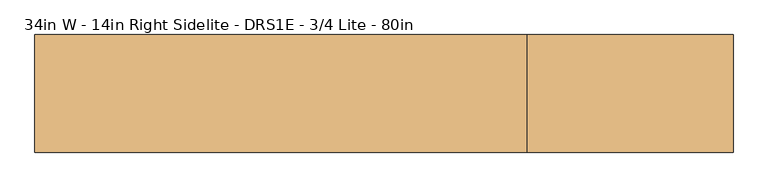
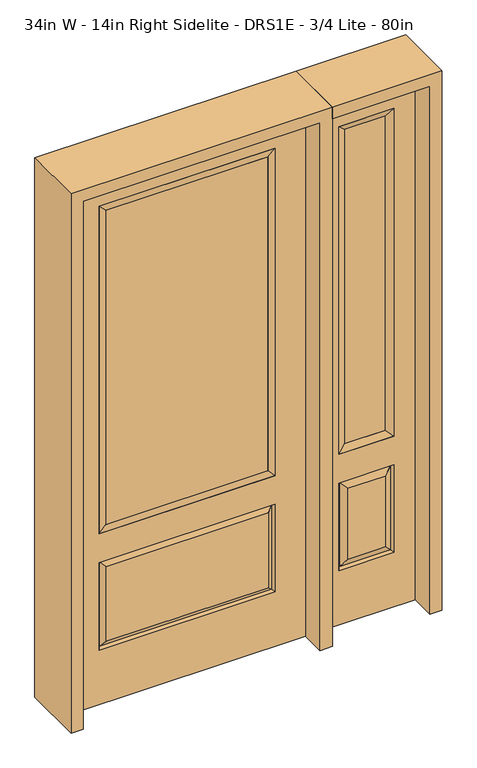
"""IFC4 building model written with IfcOpenShell, lengths in millimetres: door geometry, 34in W - 14in Right Sidelite - DRS1E - 3/4 Lite - 80in."""

from ifc_helpers import new_model, si_unit, frame, origin, place, context, project, spatial, polyline, outline, extrude, faceted_brep, source, transform, mapped, element, save


def door_34in_w_14in_right_sidelite_drs1e_3_4_lite_80in_d5466b01(model_context):
    return source(origin(), model_context, "Body", "SolidModel", [
        faceted_brep([(476.25, -22.225, 0.0), (831.85, -22.225, 0.0), (831.85, -22.225, 2032.0), (476.25, -22.225, 2032.0), (754.38, -22.225, 1919.224), (754.38, -22.225, 657.098), (553.72, -22.225, 657.098), (553.72, -22.225, 1919.224), (754.38, -22.225, 209.55), (553.72, -22.225, 209.55), (553.72, -22.225, 546.1), (754.38, -22.225, 546.1), (585.4351001, -22.225, 241.2651001), (722.6648999, -22.225, 241.2651001), (722.6648999, -22.225, 514.3848999), (585.4351001, -22.225, 514.3848999), (476.25, 22.225, 0.0), (476.25, 22.225, 2032.0), (831.85, 22.225, 2032.0), (831.85, 22.225, 0.0), (754.38, 22.225, 1919.224), (553.72, 22.225, 1919.224), (553.72, 22.225, 657.098), (754.38, 22.225, 657.098), (553.72, 22.225, 209.55), (754.38, 22.225, 209.55), (754.38, 22.225, 546.1), (553.72, 22.225, 546.1), (722.6648999, 22.225, 241.2651001), (585.4351001, 22.225, 241.2651001), (585.4351001, 22.225, 514.3848999), (722.6648999, 22.225, 514.3848999), (747.2711499, 12.7912373, 216.6588501), (560.8288501, 12.7912373, 216.6588501), (560.8288501, 12.7912373, 538.9911499), (747.2711499, 12.7912373, 538.9911499), (560.8288501, -12.7912373, 216.6588501), (747.2711499, -12.7912373, 216.6588501), (560.8288501, -12.7912373, 538.9911499), (747.2711499, -12.7912373, 538.9911499)], [[[0, 1, 2, 3], [4, 5, 6, 7], [8, 9, 10, 11]], [[12, 13, 14, 15]], [[16, 17, 18, 19], [20, 21, 22, 23], [24, 25, 26, 27]], [[28, 29, 30, 31]], [[1, 0, 16, 19]], [[2, 1, 19, 18]], [[3, 2, 18, 17]], [[0, 3, 17, 16]], [[5, 4, 20, 23]], [[6, 5, 23, 22]], [[7, 6, 22, 21]], [[4, 7, 21, 20]], [[32, 33, 29, 28]], [[33, 32, 25, 24]], [[29, 33, 34, 30]], [[33, 24, 27, 34]], [[30, 34, 35, 31]], [[34, 27, 26, 35]], [[32, 28, 31, 35]], [[25, 32, 35, 26]], [[12, 36, 37, 13]], [[37, 36, 9, 8]], [[36, 12, 15, 38]], [[9, 36, 38, 10]], [[38, 15, 14, 39]], [[10, 38, 39, 11]], [[13, 37, 39, 14]], [[37, 8, 11, 39]]]),
        faceted_brep([(553.72, 22.225, 1919.224), (553.72, -22.225, 1919.224), (754.38, -22.225, 1919.224), (754.38, 22.225, 1919.224), (579.12, 12.7, 1893.824), (728.98, 12.7, 1893.824), (579.12, -12.7, 1893.824), (728.98, -12.7, 1893.824), (754.38, -22.225, 657.098), (754.38, 22.225, 657.098), (728.98, 12.7, 682.498), (728.98, -12.7, 682.498), (553.72, -22.225, 657.098), (553.72, 22.225, 657.098), (579.12, 12.7, 682.498), (579.12, -12.7, 682.498)], [[[0, 1, 2, 3]], [[4, 0, 3, 5]], [[6, 4, 5, 7]], [[1, 6, 7, 2]], [[3, 2, 8, 9]], [[5, 3, 9, 10]], [[7, 5, 10, 11]], [[2, 7, 11, 8]], [[9, 8, 12, 13]], [[10, 9, 13, 14]], [[11, 10, 14, 15]], [[8, 11, 15, 12]], [[13, 12, 1, 0]], [[14, 13, 0, 4]], [[15, 14, 4, 6]], [[12, 15, 6, 1]]]),
        extrude(outline(polyline([(728.98, -12.7), (579.12, -12.7), (579.12, 12.7), (728.98, 12.7), (728.98, -12.7)])), frame((0.0, 0.0, 682.498), z_axis=(0.0, 0.0, 1.0), x_axis=(1.0, 0.0, 0.0)), (0.0, 0.0, 1.0), 1211.326),
        faceted_brep([(-313.5661499, -12.7912373, 216.6588501), (313.5661499, -12.7912373, 216.6588501), (296.06875, -22.225, 234.15625), (-296.06875, -22.225, 234.15625), (-320.675, -22.225, 209.55), (320.675, -22.225, 209.55), (-313.5661499, -12.7912373, 538.9911499), (-320.675, -22.225, 546.1), (296.06875, -22.225, 521.49375), (-296.06875, -22.225, 521.49375), (431.8, -22.225, 2032.0), (-431.8, -22.225, 2032.0), (-431.8, -22.225, 0.0), (431.8, -22.225, 0.0), (320.675, -22.225, 546.1), (320.675, -22.225, 1917.7), (320.675, -22.225, 657.098), (-320.675, -22.225, 657.098), (-320.675, -22.225, 1917.7), (313.5661499, -12.7912373, 538.9911499), (-431.8, 22.225, 2032.0), (-431.8, 22.225, 0.0), (431.8, 22.225, 0.0), (431.8, 22.225, 2032.0), (320.675, 22.225, 1917.7), (320.675, 22.225, 657.098), (-320.675, 22.225, 657.098), (-320.675, 22.225, 1917.7), (-320.675, 22.225, 209.55), (320.675, 22.225, 209.55), (320.675, 22.225, 546.1), (-320.675, 22.225, 546.1), (296.06875, 22.225, 234.15625), (-296.06875, 22.225, 234.15625), (-296.06875, 22.225, 521.49375), (296.06875, 22.225, 521.49375), (-313.5661499, 12.7912373, 216.6588501), (313.5661499, 12.7912373, 216.6588501), (313.5661499, 12.7912373, 538.9911499), (-313.5661499, 12.7912373, 538.9911499)], [[[0, 1, 2, 3]], [[1, 0, 4, 5]], [[4, 0, 6, 7]], [[3, 2, 8, 9]], [[10, 11, 12, 13], [5, 4, 7, 14], [15, 16, 17, 18]], [[1, 5, 14, 19]], [[2, 1, 19, 8]], [[0, 3, 9, 6]], [[7, 6, 19, 14]], [[6, 9, 8, 19]], [[12, 11, 20, 21]], [[13, 12, 21, 22]], [[10, 13, 22, 23]], [[16, 15, 24, 25]], [[17, 16, 25, 26]], [[18, 17, 26, 27]], [[23, 22, 21, 20], [28, 29, 30, 31], [24, 27, 26, 25]], [[32, 33, 34, 35]], [[28, 36, 37, 29]], [[29, 37, 38, 30]], [[39, 31, 30, 38]], [[36, 28, 31, 39]], [[37, 36, 33, 32]], [[33, 36, 39, 34]], [[34, 39, 38, 35]], [[37, 32, 35, 38]], [[11, 10, 23, 20]], [[15, 18, 27, 24]]]),
        faceted_brep([(-320.675, -22.225, 1917.7), (-320.675, 22.225, 1917.7), (-320.675, 22.225, 657.098), (-320.675, -22.225, 657.098), (320.675, 22.225, 657.098), (320.675, -22.225, 657.098), (-295.275, 5.08, 682.498), (295.275, 5.08, 682.498), (320.675, 22.225, 1917.7), (320.675, -22.225, 1917.7), (-295.275, -20.32, 682.498), (295.275, -20.32, 682.498), (-295.275, -20.32, 1892.3), (295.275, -20.32, 1892.3), (-295.275, 5.08, 1892.3), (295.275, 5.08, 1892.3)], [[[0, 1, 2, 3]], [[3, 2, 4, 5]], [[2, 6, 7, 4]], [[5, 4, 8, 9]], [[10, 3, 5, 11]], [[12, 0, 3, 10]], [[11, 5, 9, 13]], [[6, 10, 11, 7]], [[14, 12, 10, 6]], [[7, 11, 13, 15]], [[1, 14, 6, 2]], [[4, 7, 15, 8]], [[9, 8, 1, 0]], [[13, 9, 0, 12]], [[15, 13, 12, 14]], [[8, 15, 14, 1]]]),
        extrude(outline(polyline([(295.275, -20.32), (-295.275, -20.32), (-295.275, 5.08), (295.275, 5.08), (295.275, -20.32)])), frame((0.0, 0.0, 682.498), z_axis=(0.0, 0.0, 1.0), x_axis=(1.0, 0.0, 0.0)), (0.0, 0.0, 1.0), 1209.802),
        extrude(outline(polyline([(2076.45, -476.25), (0.0, -476.25), (0.0, -431.8), (2032.0, -431.8), (2032.0, 431.8), (0.0, 431.8), (0.0, 476.25), (2076.45, 476.25), (2076.45, -476.25)])), frame((0.0, -114.3, 0.0), z_axis=(0.0, 1.0, 0.0), x_axis=(0.0, 0.0, 1.0)), (0.0, 0.0, 1.0), 228.6),
        extrude(outline(polyline([(0.0, 831.85), (0.0, 876.3), (2076.45, 876.3), (2076.45, 476.25), (2032.0, 476.25), (2032.0, 831.85), (0.0, 831.85)])), frame((0.0, -114.3, 0.0), z_axis=(0.0, 1.0, 0.0), x_axis=(0.0, 0.0, 1.0)), (0.0, 0.0, 1.0), 228.6),
    ])


if __name__ == "__main__":
    model = new_model("IFC4")
    model_context = context("Model", 3, world=origin())
    ifc_project = project(units=[si_unit("LENGTHUNIT", "METRE", prefix="MILLI")], contexts=[model_context])
    site = spatial("IfcSite", under=ifc_project)
    building = spatial("IfcBuilding", under=site)
    placement = place(None, origin())
    door_34in_w_14in_right_sidelite_drs1e_3_4_lite_80in_shape = door_34in_w_14in_right_sidelite_drs1e_3_4_lite_80in_d5466b01(model_context)
    element("IfcDoor", 1, ObjectType="34in W - 14in Right Sidelite - DRS1E - 3/4 Lite - 80in", at=placement, inside=building, context=model_context, shape_type="MappedRepresentation", body=[
        mapped(door_34in_w_14in_right_sidelite_drs1e_3_4_lite_80in_shape, transform((0.0, 0.0, 0.0), x_axis=(1.0, 0.0, 0.0), y_axis=(0.0, 1.0, 0.0), z_axis=(0.0, 0.0, 1.0))),
    ])
    save(model, "model.ifc")
